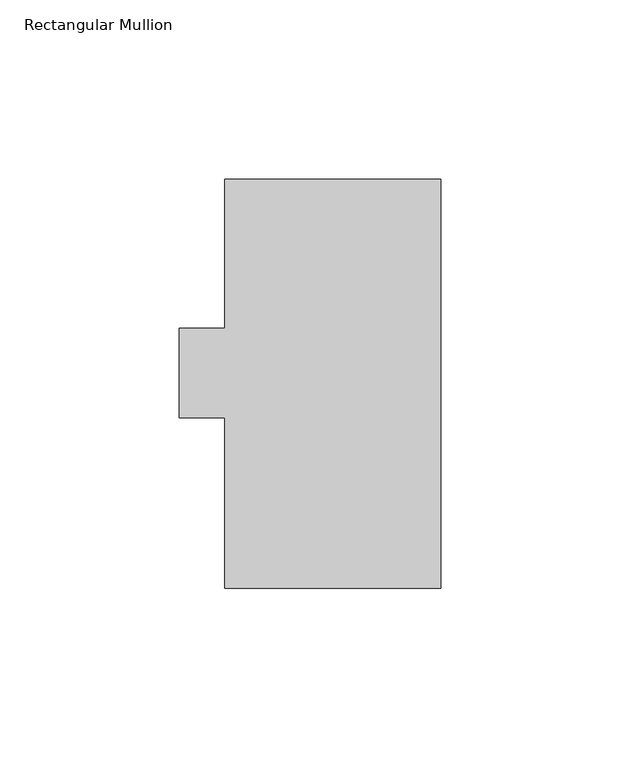
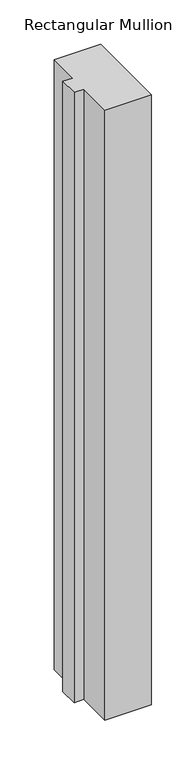
"""IFC4 building model written with IfcOpenShell, lengths in millimetres: member geometry, Rectangular Mullion."""

from ifc_helpers import new_model, si_unit, frame, origin, place, context, project, spatial, polyline, outline, extrude, source, transform, mapped, element, save


def rectangular_mullion_51f7a7b3(model_context):
    return source(origin(), model_context, "Body", "SweptSolid", [
        extrude(outline(polyline([(-60.325, -0.028575), (-60.325, 47.596425), (-73.025, 47.596425), (-73.025, 72.564625), (-60.325, 72.564625), (-60.325, 114.271425), (0.0, 114.271425), (0.0, -0.028575), (-60.325, -0.028575)])), frame((0.0, 0.0, -838.2), z_axis=(0.0, 0.0, 1.0), x_axis=(1.0, 0.0, 0.0)), (0.0, 0.0, 1.0), 838.2),
    ])


if __name__ == "__main__":
    model = new_model("IFC4")
    model_context = context("Model", 3, world=origin())
    ifc_project = project(units=[si_unit("LENGTHUNIT", "METRE", prefix="MILLI")], contexts=[model_context])
    site = spatial("IfcSite", under=ifc_project)
    building = spatial("IfcBuilding", under=site)
    placement = place(None, origin())
    rectangular_mullion_shape = rectangular_mullion_51f7a7b3(model_context)
    element("IfcMember", 1, ObjectType="Rectangular Mullion", at=placement, inside=building, context=model_context, shape_type="MappedRepresentation", body=[
        mapped(rectangular_mullion_shape, transform((0.0, 0.0, 0.0), x_axis=(1.0, 0.0, 0.0), y_axis=(0.0, 1.0, 0.0), z_axis=(0.0, 0.0, 1.0))),
    ])
    save(model, "model.ifc")
